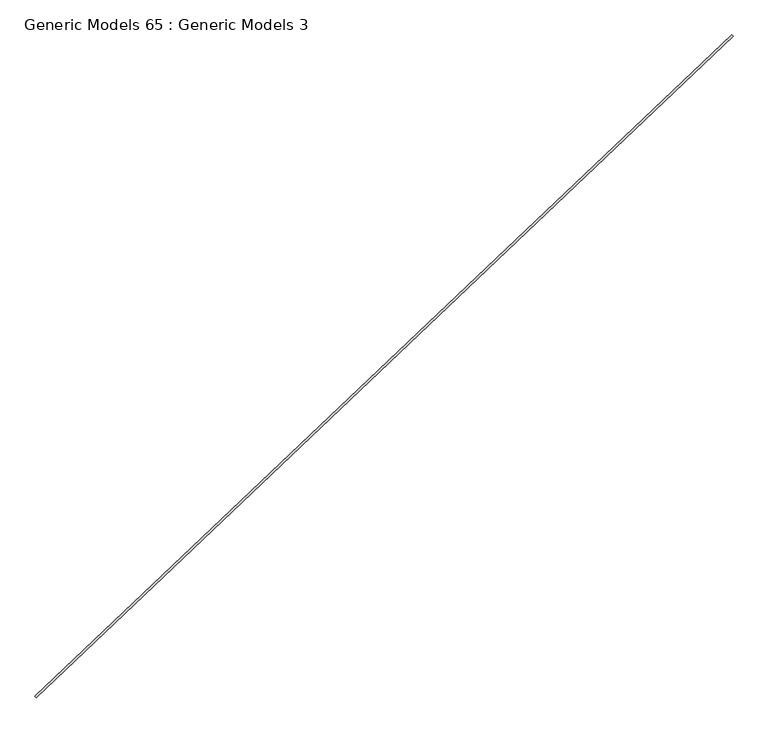
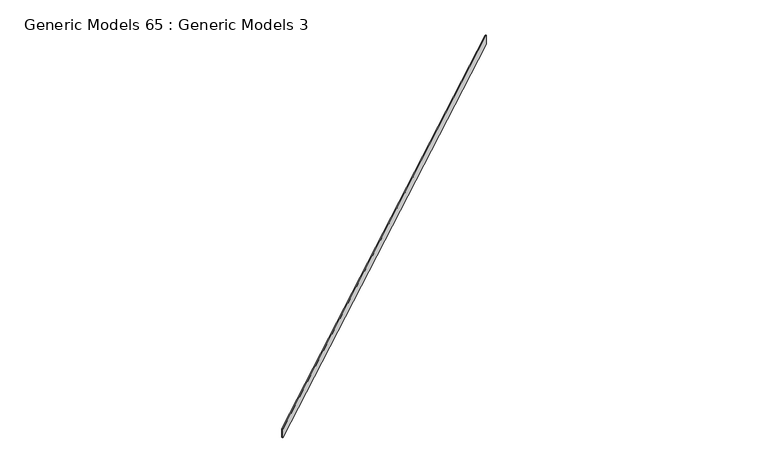
"""IFC4 building model written with IfcOpenShell, lengths in millimetres: proxy geometry, Generic Models 65 : Generic Models 3."""

from ifc_helpers import new_model, si_unit, frame, origin, place, context, project, spatial, polyline, outline, extrude, source, transform, mapped, element, save


def generic_models_65_generic_models_3_1fdb567c(model_context):
    return source(origin(), model_context, "Body", "SweptSolid", [
        extrude(outline(polyline([(115982.4618916, 53039.3351956), (116008.1326891, 53012.2838194), (103269.8877628, 40924.1407422), (103244.2169653, 40951.1921184), (115982.4618916, 53039.3351956)])), frame((0.0, 0.0, 17966.5024969), z_axis=(0.0, 0.0, 1.0), x_axis=(1.0, 0.0, 0.0)), (0.0, 0.0, 1.0), 257.9975031),
    ])


if __name__ == "__main__":
    model = new_model("IFC4")
    model_context = context("Model", 3, world=origin())
    ifc_project = project(units=[si_unit("LENGTHUNIT", "METRE", prefix="MILLI")], contexts=[model_context])
    site = spatial("IfcSite", under=ifc_project)
    building = spatial("IfcBuilding", under=site)
    placement = place(None, origin())
    generic_models_65_generic_models_3_shape = generic_models_65_generic_models_3_1fdb567c(model_context)
    element("IfcBuildingElementProxy", 1, Name="Generic Models 65 : Generic Models 3", ObjectType="Generic Models 65 : Generic Models 3", at=placement, inside=building, context=model_context, shape_type="MappedRepresentation", body=[
        mapped(generic_models_65_generic_models_3_shape, transform((0.0, 0.0, 0.0), x_axis=(1.0, 0.0, 0.0), y_axis=(0.0, 1.0, 0.0), z_axis=(0.0, 0.0, 1.0))),
    ])
    save(model, "model.ifc")
